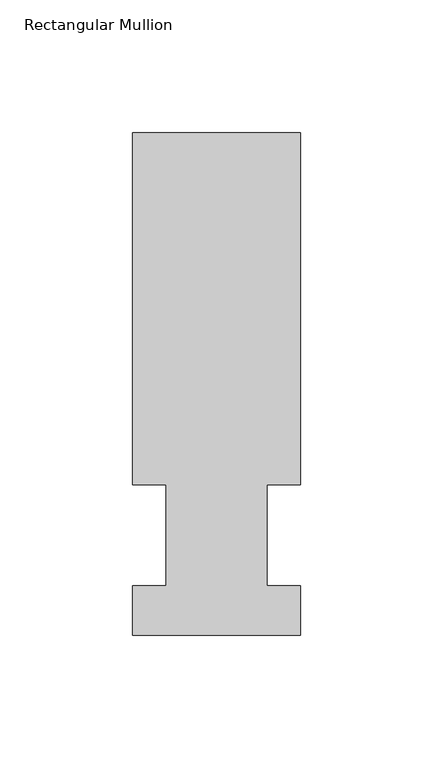
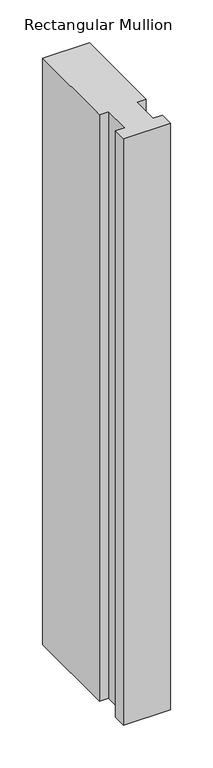
"""IFC4 building model written with IfcOpenShell, lengths in millimetres: member geometry, Rectangular Mullion."""

import ifcopenshell
import ifcopenshell.guid

model = None  # the IFC model being written
_history = None  # IfcOwnerHistory: only IFC2X3 demands one
_inside = {}  # id of a spatial element -> (the spatial element, [elements in it])
_under = {}  # id of a project, library or spatial element -> (it, [spatial elements below it])
_declared = {}  # id of a project -> (the project, [libraries it declares])
_typed = {}  # id of a type object -> (the type object, [elements of that type])
_made_of = {}  # id of a material, layer set ... -> (it, [elements and type objects made of it])


def new_model(schema):
    """Start an empty IFC model of exactly this schema.

    Asked for "IFC4X3", IfcOpenShell would pick the latest addendum, in which some entities
    have other attributes; the version numbers below select the first issue.
    IFC2X3 requires an IfcOwnerHistory on every rooted entity: one is made here for all.
    """
    global model, _history
    if schema == "IFC4X3":
        model = ifcopenshell.file(schema_version=(4, 3, 0, 0))
    else:
        model = ifcopenshell.file(schema=schema)
    _inside.clear()
    _under.clear()
    _declared.clear()
    _typed.clear()
    _made_of.clear()
    _history = None
    if model.schema == "IFC2X3":
        org = make("IfcOrganization", Name="unknown")
        user = make(
            "IfcPersonAndOrganization",
            ThePerson=make("IfcPerson", FamilyName="unknown"),
            TheOrganization=org,
        )
        app = make(
            "IfcApplication",
            ApplicationDeveloper=org,
            Version="unknown",
            ApplicationFullName="unknown",
            ApplicationIdentifier="unknown",
        )
        _history = make(
            "IfcOwnerHistory",
            OwningUser=user,
            OwningApplication=app,
            ChangeAction="ADDED",
            CreationDate=0,
        )
    return model


def make(cls, **values):
    """One entity of the class cls with the attributes given. An attribute that is None is left unset."""
    return model.create_entity(
        cls, **{name: value for name, value in values.items() if value is not None}
    )


def rooted(cls, **values):
    """An entity with a GlobalId (a new one), such as an element, a storey or a relation."""
    return make(cls, GlobalId=ifcopenshell.guid.new(), OwnerHistory=_history, **values)


def si_unit(unit_type, name, prefix=None):
    """IfcSIUnit, for example si_unit("LENGTHUNIT", "METRE", prefix="MILLI")."""
    return make("IfcSIUnit", UnitType=unit_type, Prefix=prefix, Name=name)


def assignment(units):
    """IfcUnitAssignment: the units of a project."""
    return None if units is None else make("IfcUnitAssignment", Units=units)


def point(xyz):
    """IfcCartesianPoint."""
    return None if xyz is None else make("IfcCartesianPoint", Coordinates=xyz)


def direction(xyz):
    """IfcDirection."""
    return None if xyz is None else make("IfcDirection", DirectionRatios=xyz)


def frame(location, z_axis=None, x_axis=None):
    """IfcAxis2Placement3D, a coordinate frame: its origin and axes. An axis left out is left unset."""
    return make(
        "IfcAxis2Placement3D",
        Location=point(location),
        Axis=direction(z_axis),
        RefDirection=direction(x_axis),
    )


def origin():
    """The frame at (0, 0, 0) with its axes left unset."""
    return frame((0.0, 0.0, 0.0))


def place(relative_to, where):
    """IfcLocalPlacement: puts the frame where relative to a parent placement (None: the world)."""
    return make(
        "IfcLocalPlacement", PlacementRelTo=relative_to, RelativePlacement=where
    )


def context(
    kind, dimensions, precision=None, world=None, true_north=None, identifier=None
):
    """IfcGeometricRepresentationContext, for example the 3D "Model" context."""
    return make(
        "IfcGeometricRepresentationContext",
        ContextIdentifier=identifier,
        ContextType=kind,
        CoordinateSpaceDimension=dimensions,
        Precision=precision,
        WorldCoordinateSystem=world,
        TrueNorth=true_north,
    )


def project(units=None, contexts=None):
    """IfcProject with its units and contexts."""
    return rooted(
        "IfcProject",
        Name="project",
        RepresentationContexts=contexts,
        UnitsInContext=assignment(units),
    )


def spatial(cls, under=None, at=None, **own):
    """A site, building, storey or space (cls), placed at a placement, below another one or the project."""
    s = rooted(cls, ObjectPlacement=at, **own)
    if under is not None:
        _under.setdefault(under.id(), (under, []))[1].append(s)
    return s


def polyline(points):
    """IfcPolyline through the points."""
    return make("IfcPolyline", Points=[point(p) for p in points])


def outline(outer, holes=None, kind="AREA"):
    """IfcArbitraryClosedProfileDef: a profile drawn as a closed curve; with holes, ...WithVoids."""
    if holes is None:
        return make("IfcArbitraryClosedProfileDef", ProfileType=kind, OuterCurve=outer)
    return make(
        "IfcArbitraryProfileDefWithVoids",
        ProfileType=kind,
        OuterCurve=outer,
        InnerCurves=holes,
    )


def extrude(swept, where, along, depth):
    """IfcExtrudedAreaSolid: the profile swept, set in the frame where, extruded along a direction by depth."""
    return make(
        "IfcExtrudedAreaSolid",
        SweptArea=swept,
        Position=where,
        ExtrudedDirection=direction(along),
        Depth=depth,
    )


def shape(context_of_items, identifier, shape_type, items):
    """IfcShapeRepresentation: the items that make up one representation, for example the "Body"."""
    return make(
        "IfcShapeRepresentation",
        ContextOfItems=context_of_items,
        RepresentationIdentifier=identifier,
        RepresentationType=shape_type,
        Items=items,
    )


def source(mapping_origin, context_of_items, identifier, shape_type, items):
    """IfcRepresentationMap: a shape defined once, which mapped items show again and again."""
    return make(
        "IfcRepresentationMap",
        MappingOrigin=mapping_origin,
        MappedRepresentation=shape(context_of_items, identifier, shape_type, items),
    )


def transform(
    local_origin,
    x_axis=None,
    y_axis=None,
    z_axis=None,
    scale=None,
    scale2=None,
    scale3=None,
    uniform=True,
):
    """IfcCartesianTransformationOperator3D, or its non-uniform kind. x_axis, y_axis, z_axis: its Axis1, 2, 3."""
    if uniform:
        return make(
            "IfcCartesianTransformationOperator3D",
            Axis1=direction(x_axis),
            Axis2=direction(y_axis),
            LocalOrigin=point(local_origin),
            Scale=scale,
            Axis3=direction(z_axis),
        )
    return make(
        "IfcCartesianTransformationOperator3DnonUniform",
        Axis1=direction(x_axis),
        Axis2=direction(y_axis),
        LocalOrigin=point(local_origin),
        Scale=scale,
        Axis3=direction(z_axis),
        Scale2=scale2,
        Scale3=scale3,
    )


def mapped(mapping_source, mapping_target):
    """IfcMappedItem: shows the shape of a source again, moved by a transform."""
    return make(
        "IfcMappedItem", MappingSource=mapping_source, MappingTarget=mapping_target
    )


def made_of(thing, what):
    """Note that an element or type object is made of a material, layer set ...; save() writes the relation."""
    if what is not None:
        _made_of.setdefault(what.id(), (what, []))[1].append(thing)
    return thing


def element(
    cls,
    number,
    at=None,
    inside=None,
    cuts=None,
    type_object=None,
    material=None,
    context=None,
    identifier="Body",
    shape_type=None,
    held_by="IfcProductDefinitionShape",
    body=None,
    shapes=None,
    **own,
):
    """One element of the class cls, such as IfcWall. Its Tag is "e" and its number.

    at: its placement. inside: the storey or other place that contains it. cuts: it is an
    opening in that element (IfcRelVoidsElement). A single representation is given by context,
    identifier, shape_type and body (its items); several are given by shapes. held_by: the class
    of the entity that holds the representations. save() writes the other relations.
    """
    e = rooted(cls, Tag="e%d" % number, ObjectPlacement=at, **own)
    if body is not None:
        shapes = [shape(context, identifier, shape_type, body)]
    if shapes is not None:
        e.Representation = make(held_by, Representations=shapes)
    if inside is not None:
        _inside.setdefault(inside.id(), (inside, []))[1].append(e)
    if cuts is not None:
        rooted(
            "IfcRelVoidsElement", RelatingBuildingElement=cuts, RelatedOpeningElement=e
        )
    if type_object is not None:
        _typed.setdefault(type_object.id(), (type_object, []))[1].append(e)
    return made_of(e, material)


def aggregate(whole, parts):
    """IfcRelAggregates: a whole, such as a stair, and the parts it consists of."""
    return rooted("IfcRelAggregates", RelatingObject=whole, RelatedObjects=parts)


def save(model, path):
    """Write the relations noted so far, then the file.

    IfcRelAggregates (storeys below a building ...), IfcRelContainedInSpatialStructure (elements
    in a storey), IfcRelDefinesByType, IfcRelAssociatesMaterial and IfcRelDeclares: one each for
    every whole, place, type object, material and project.
    """
    for whole, parts in _under.values():
        aggregate(whole, parts)
    for where, things in _inside.values():
        rooted(
            "IfcRelContainedInSpatialStructure",
            RelatedElements=things,
            RelatingStructure=where,
        )
    for kind, things in _typed.values():
        rooted("IfcRelDefinesByType", RelatedObjects=things, RelatingType=kind)
    for what, things in _made_of.values():
        rooted("IfcRelAssociatesMaterial", RelatedObjects=things, RelatingMaterial=what)
    for by, libraries in _declared.values():
        rooted("IfcRelDeclares", RelatingContext=by, RelatedDefinitions=libraries)
    model.write(path)


def rectangular_mullion_dfd5c137(model_context):
    return source(origin(), model_context, "Body", "SweptSolid", [
        extrude(outline(polyline([(-31.75, 189.5975063), (31.75, 189.5975063), (31.75, 56.6539063), (19.05, 56.6539063), (19.05, 18.5539062), (31.75, 18.5539062), (31.75, 0.0119062), (-31.75, 0.0119062), (-31.75, 18.5539062), (-19.05, 18.5539062), (-19.05, 56.6539063), (-31.75, 56.6539063), (-31.75, 189.5975063)])), frame((0.0, 0.0, -838.2), z_axis=(0.0, 0.0, 1.0), x_axis=(1.0, 0.0, 0.0)), (0.0, 0.0, 1.0), 838.2),
    ])


if __name__ == "__main__":
    model = new_model("IFC4")
    model_context = context("Model", 3, world=origin())
    ifc_project = project(units=[si_unit("LENGTHUNIT", "METRE", prefix="MILLI")], contexts=[model_context])
    site = spatial("IfcSite", under=ifc_project)
    building = spatial("IfcBuilding", under=site)
    placement = place(None, origin())
    rectangular_mullion_shape = rectangular_mullion_dfd5c137(model_context)
    element("IfcMember", 1, ObjectType="Rectangular Mullion", at=placement, inside=building, context=model_context, shape_type="MappedRepresentation", body=[
        mapped(rectangular_mullion_shape, transform((0.0, 0.0, 0.0), x_axis=(1.0, 0.0, 0.0), y_axis=(0.0, 1.0, 0.0), z_axis=(0.0, 0.0, 1.0))),
    ])
    save(model, "model.ifc")
